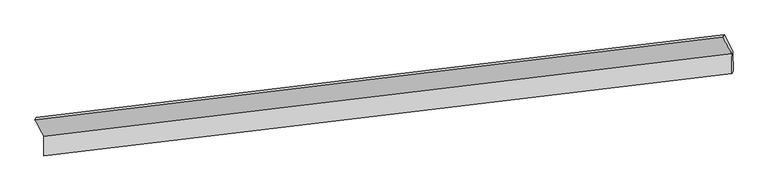
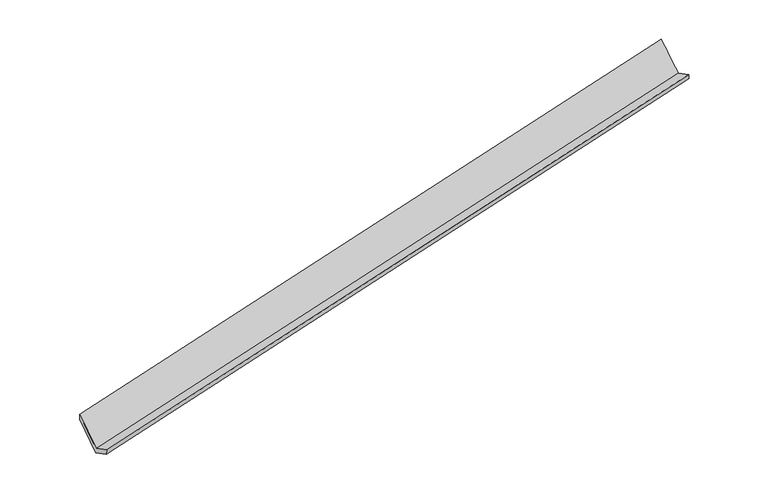
"""IFC4 building model written with IfcOpenShell, lengths in millimetres: proxy geometry."""

from ifc_helpers import new_model, si_unit, frame, origin, place, context, project, spatial, source, transform, mapped, element, save
from ifc_brep_helpers import plane_surface, spline_surface, advanced_brep


def generic_models_66a35804(model_context):
    return source(origin(), model_context, "Body", "AdvancedBrep", [
        advanced_brep(
        [(-9777.7366909, -2343.5857972, 230.0808027), (-9773.1347354, -2743.9938997, 434.8812394), (4153.2012141, -1073.4080602, 3393.5152919), (4148.5992586, -672.9999578, 3188.7148553), (-9750.7266693, -2694.6298353, 299.6099771), (4176.244505, -1023.9678536, 3258.3786227), (-9755.3041615, -2296.3502481, 95.8982318), (4171.5646943, -616.7857143, 3050.1134067), (-9929.8519362, -1966.4302373, 744.8514703), (3992.2958552, -287.4316015, 3698.0663345), (-9954.4691456, -2009.5364318, 887.1564887), (3967.0866496, -339.5235734, 3844.7777105)],
        [
            (0, 1),
            (1, 2),
            (2, 3),
            (3, 0),
            (1, 4),
            (4, 5),
            (5, 2),
            (4, 6),
            (6, 7),
            (7, 5),
            (6, 8),
            (8, 9),
            (9, 7),
            (8, 10),
            (10, 11),
            (11, 9),
            (10, 0),
            (3, 11),
        ],
        [
            plane_surface(frame((-9775.4357132, -2543.7898484, 332.481021), z_axis=(-0.2368104139972934, 0.4402595874308142, 0.8660787051404046), x_axis=(0.01023184827413551, -0.8902552177263734, 0.4553470726729917))),
            spline_surface(1, 1, [[(-9773.1347354, -2743.9938997, 434.8812394), (4153.2012141, -1073.4080602, 3393.5152919)], [(-9750.7266693, -2694.6298353, 299.6099771), (4176.244505, -1023.9678536, 3258.3786227)]], [2, 2], [2, 2], [0.0, 1.0], [0.0, 1.0]),
            plane_surface(frame((-9753.0154154, -2495.4900417, 197.7541045), z_axis=(0.23681039113378485, -0.4402595901771712, -0.8660787099958603), x_axis=(-0.010231848274050296, 0.8902552177263343, -0.45534707267306995))),
            spline_surface(1, 1, [[(-9755.3041615, -2296.3502481, 95.8982318), (4171.5646943, -616.7857143, 3050.1134067)], [(-9929.8519362, -1966.4302373, 744.8514703), (3992.2958552, -287.4316015, 3698.0663345)]], [2, 2], [2, 2], [0.0, 1.0], [0.0, 1.0]),
            spline_surface(1, 1, [[(-9929.8519362, -1966.4302373, 744.8514703), (3992.2958552, -287.4316015, 3698.0663345)], [(-9954.4691456, -2009.5364318, 887.1564887), (3967.0866496, -339.5235734, 3844.7777105)]], [2, 2], [2, 2], [0.0, 1.0], [0.0, 1.0]),
            spline_surface(1, 1, [[(-9954.4691456, -2009.5364318, 887.1564887), (3967.0866496, -339.5235734, 3844.7777105)], [(-9777.7366909, -2343.5857972, 230.0808027), (4148.5992586, -672.9999578, 3188.7148553)]], [2, 2], [2, 2], [0.0, 1.0], [0.0, 1.0]),
            plane_surface(frame((4101.4986961, -669.0194601, 3405.5943703), z_axis=(0.9708520880859013, 0.11789362069229391, 0.20867993976256338), x_axis=(-0.159842553701544, -0.33029655681464604, 0.9302443456332097))),
            plane_surface(frame((-9823.5372232, -2342.4210749, 448.7463683), z_axis=(-0.972385828473667, -0.11503576916566657, -0.20305805178826064), x_axis=(-0.23315469084812354, 0.4406953813274575, 0.8668485859780604))),
        ],
        [
            (0, [[1, 2, 3, 4]]),
            (1, [[5, 6, 7, -2]]),
            (2, [[8, 9, 10, -6]]),
            (3, [[11, 12, 13, -9]]),
            (4, [[14, 15, 16, -12]]),
            (5, [[17, -4, 18, -15]]),
            (6, [[-16, -18, -3, -7, -10, -13]]),
            (7, [[-17, -14, -11, -8, -5, -1]]),
        ],
    ),
    ])


if __name__ == "__main__":
    model = new_model("IFC4")
    model_context = context("Model", 3, world=origin())
    ifc_project = project(units=[si_unit("LENGTHUNIT", "METRE", prefix="MILLI")], contexts=[model_context])
    site = spatial("IfcSite", under=ifc_project)
    building = spatial("IfcBuilding", under=site)
    placement = place(None, origin())
    generic_models_shape = generic_models_66a35804(model_context)
    element("IfcBuildingElementProxy", 1, Name="Generic Models", at=placement, inside=building, context=model_context, shape_type="MappedRepresentation", body=[
        mapped(generic_models_shape, transform((0.0, 0.0, 0.0), x_axis=(1.0, 0.0, 0.0), y_axis=(0.0, 1.0, 0.0), z_axis=(0.0, 0.0, 1.0))),
    ])
    save(model, "model.ifc")
